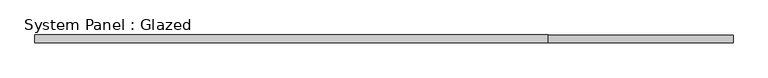
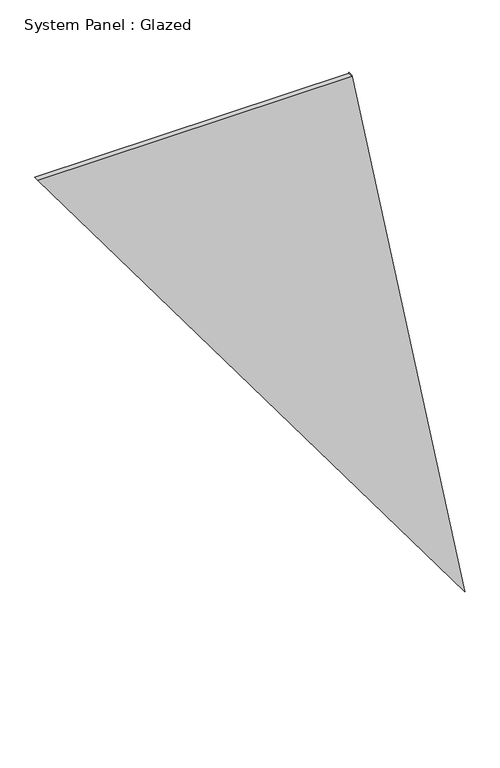
"""IFC4 building model written with IfcOpenShell, lengths in millimetres: plate geometry, System Panel : Glazed."""

from ifc_helpers import new_model, si_unit, frame, origin, place, context, project, spatial, polyline, outline, extrude, source, transform, mapped, element, save


def system_panel_glazed_4eed1adb(model_context):
    return source(origin(), model_context, "Body", "SweptSolid", [
        extrude(outline(polyline([(4412.0811342, -1613.3865804), (0.0, 1613.3865804), (4419.5809768, 759.4391338), (4412.0811342, 759.4391034), (4412.0811342, -1613.3865804)])), frame((0.0, -18.0, 0.0), z_axis=(0.0, 1.0, 0.0), x_axis=(0.0, 0.0, 1.0)), (0.0, 0.0, 1.0), 36.0),
    ])


if __name__ == "__main__":
    model = new_model("IFC4")
    model_context = context("Model", 3, world=origin())
    ifc_project = project(units=[si_unit("LENGTHUNIT", "METRE", prefix="MILLI")], contexts=[model_context])
    site = spatial("IfcSite", under=ifc_project)
    building = spatial("IfcBuilding", under=site)
    placement = place(None, origin())
    system_panel_glazed_shape = system_panel_glazed_4eed1adb(model_context)
    element("IfcPlate", 1, ObjectType="System Panel : Glazed", at=placement, inside=building, context=model_context, shape_type="MappedRepresentation", body=[
        mapped(system_panel_glazed_shape, transform((0.0, 0.0, 0.0), x_axis=(1.0, 0.0, 0.0), y_axis=(0.0, 1.0, 0.0), z_axis=(0.0, 0.0, 1.0))),
    ])
    save(model, "model.ifc")
